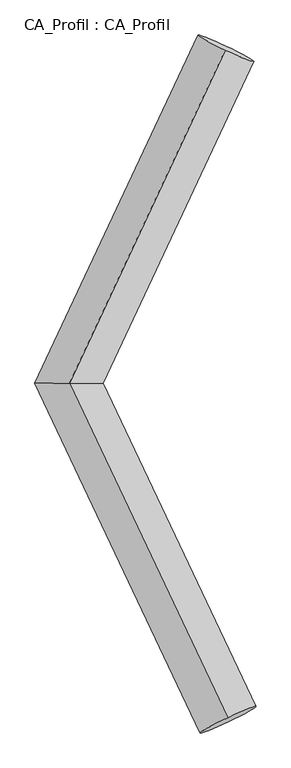
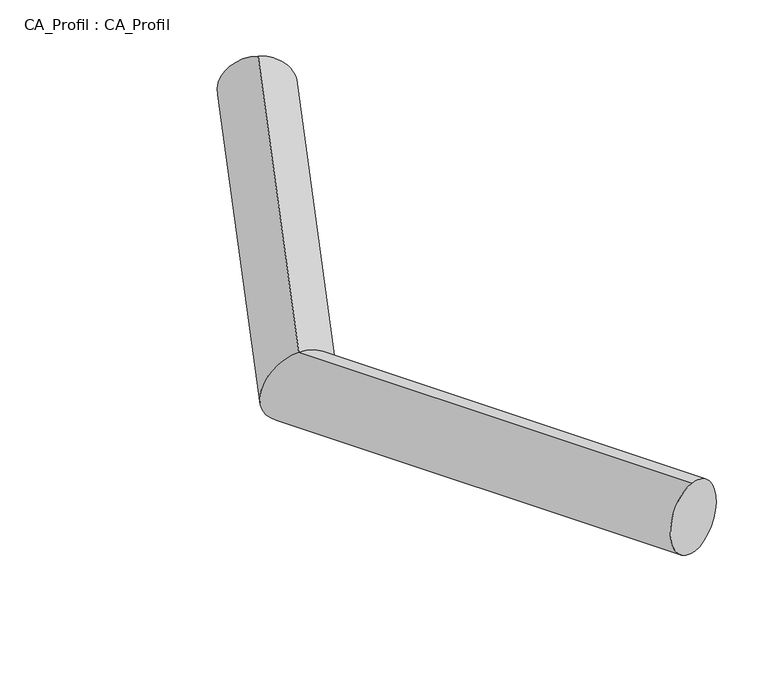
"""IFC4 building model written with IfcOpenShell, lengths in millimetres: plate geometry, CA_Profil : CA_Profil."""

from ifc_helpers import new_model, si_unit, frame, origin, place, context, project, spatial, circle_curve, ellipse_curve, source, transform, mapped, element, save
from ifc_brep_helpers import plane_surface, cylinder_surface, advanced_brep


def ca_profil_ca_profil_2173e3c7(model_context):
    return source(origin(), model_context, "Body", "AdvancedBrep", [
        advanced_brep(
        [(6088.7481409, 8814.5770695, -154.4266995), (6084.8842071, 8781.3566572, 344.4535208), (4815.7299406, 6096.0610967, -345.3123584), (4827.3651378, 6095.9389033, 155.891915), (6107.2170893, 3368.914801, -155.0428067), (6103.209456, 3401.8245175, 343.8568721)],
        [
            (0, 1, circle_curve(frame((6086.816174, 8797.9668634, 95.0134106), z_axis=(0.4232277295819421, 0.9037980311546999, 0.06346186093869835), x_axis=(-0.007727867514010017, -0.06644082465427496, 0.9977604406283834)), 250.0)),
            (1, 0, circle_curve(frame((6086.816174, 8797.9668634, 95.0134106), z_axis=(0.4232277295819421, 0.9037980311546999, 0.06346186093869835), x_axis=(-0.007727867514010017, -0.06644082465427496, 0.9977604406283834)), 250.0)),
            (0, 2),
            (2, 3, ellipse_curve(frame((4821.5475392, 6096.0, -94.7102217), z_axis=(-0.0021729760307655976, 0.9999975957950326, 0.00029424364829392193), x_axis=(0.9891319824414644, 0.0021061068472119394, 0.14701525643744132)), 276.8871647, 250.0)),
            (3, 1),
            (3, 2, ellipse_curve(frame((4821.5475392, 6096.0, -94.7102217), z_axis=(-0.0021729760307655976, 0.9999975957950326, 0.00029424364829392193), x_axis=(0.9891319824414644, 0.0021061068472119394, 0.14701525643744132)), 276.8871647, 250.0)),
            (4, 5, circle_curve(frame((6105.2132726, 3385.3696592, 94.4070327), z_axis=(0.4271516673939015, -0.9019873629097216, 0.0629305187788575), x_axis=(-0.00801526657449045, 0.06581943291191943, 0.997799357462658)), 250.0)),
            (5, 4, circle_curve(frame((6105.2132726, 3385.3696592, 94.4070327), z_axis=(0.4271516673939015, -0.9019873629097216, 0.0629305187788575), x_axis=(-0.00801526657449045, 0.06581943291191943, 0.997799357462658)), 250.0)),
            (2, 4),
            (5, 3),
        ],
        [
            plane_surface(frame((6086.816174, 8815.4779633, -154.3725581), z_axis=(0.42322772958194227, 0.9037980311546999, 0.06346186093869767), x_axis=(0.9060233379515753, -0.42218822926907584, -0.029644732309937305))),
            cylinder_surface(frame((6086.816174, 8797.9668634, 95.0134106), z_axis=(0.4232277295819421, 0.9037980311546999, 0.06346186093869835), x_axis=(-0.007727867514010017, -0.06644082465427496, 0.9977604406283834)), 250.0),
            plane_surface(frame((6105.2132726, 3367.9697722, -154.9867201), z_axis=(0.4271516673939015, -0.9019873629097217, 0.0629305187788575), x_axis=(0.9041799892956103, 0.42611582936630493, -0.029729563078799603))),
            cylinder_surface(frame((4821.5475392, 6096.0, -94.7102217), z_axis=(-0.4271516673939015, 0.9019873629097216, -0.0629305187788575), x_axis=(-0.00801526657449045, 0.06581943291191943, 0.997799357462658)), 250.0),
        ],
        [
            (0, [[1, 2]]),
            (1, [[-1, 3, 4, 5]]),
            (1, [[-2, -5, 6, -3]]),
            (2, [[7, 8]]),
            (3, [[-4, 9, -8, 10]]),
            (3, [[-6, -10, -7, -9]]),
        ],
    ),
    ])


if __name__ == "__main__":
    model = new_model("IFC4")
    model_context = context("Model", 3, world=origin())
    ifc_project = project(units=[si_unit("LENGTHUNIT", "METRE", prefix="MILLI")], contexts=[model_context])
    site = spatial("IfcSite", under=ifc_project)
    building = spatial("IfcBuilding", under=site)
    placement = place(None, origin())
    ca_profil_ca_profil_shape = ca_profil_ca_profil_2173e3c7(model_context)
    element("IfcPlate", 1, ObjectType="CA_Profil : CA_Profil", at=placement, inside=building, context=model_context, shape_type="MappedRepresentation", body=[
        mapped(ca_profil_ca_profil_shape, transform((0.0, 0.0, 0.0), x_axis=(1.0, 0.0, 0.0), y_axis=(0.0, 1.0, 0.0), z_axis=(0.0, 0.0, 1.0))),
    ])
    save(model, "model.ifc")
